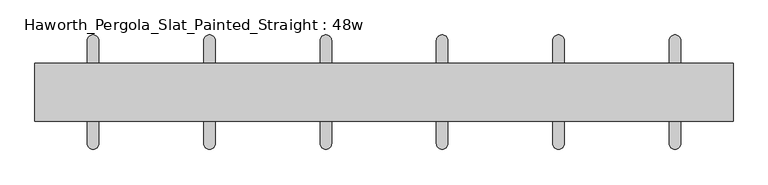
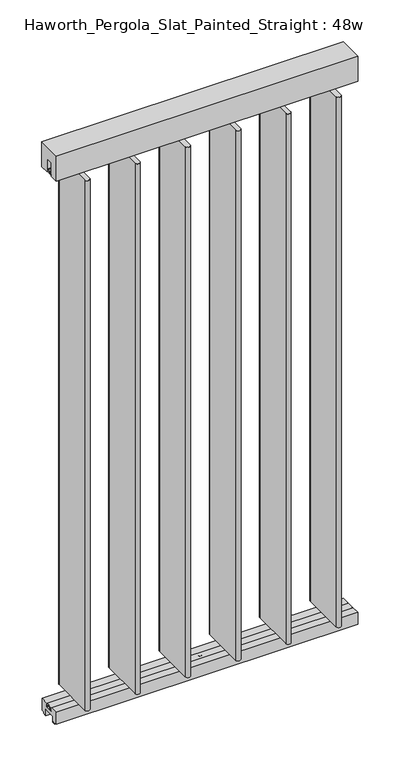
"""IFC4 building model written with IfcOpenShell, lengths in millimetres: furniture geometry, Haworth_Pergola_Slat_Painted_Straight : 48w."""

from ifc_helpers import new_model, si_unit, point, frame, frame_2d, origin, place, context, project, spatial, polyline, circle_curve, trimmed, segment, composite_curve, outline, extrude, source, transform, mapped, element, save


def haworth_pergola_slat_painted_straight_48w_1e894208(model_context):
    return source(origin(), model_context, "Body", "SweptSolid", [
        extrude(outline(composite_curve([segment(trimmed(circle_curve(frame_2d((546.0999978, 0.0)), 6.0), [point((541.8573571, 4.2426407))], [point((550.3426384, -4.2426407))], False, "CARTESIAN"), True, "CONTINUOUS"), segment(trimmed(circle_curve(frame_2d((546.0999978, 0.0)), 6.0), [point((550.3426384, -4.2426407))], [point((541.8573571, 4.2426407))], False, "CARTESIAN"), True, "CONTINUOUS")], self_intersect=False)), frame((0.0, 0.0, 2329.3585937), z_axis=(0.0, 0.0, 1.0), x_axis=(1.0, 0.0, 0.0)), (0.0, 0.0, 1.0), 4.9609375),
        extrude(outline(composite_curve([segment(trimmed(circle_curve(frame_2d((546.0999978, 0.0)), 6.0), [point((541.8573571, 4.2426407))], [point((550.3426384, -4.2426407))], False, "CARTESIAN"), True, "CONTINUOUS"), segment(trimmed(circle_curve(frame_2d((546.0999978, 0.0)), 6.0), [point((550.3426384, -4.2426407))], [point((541.8573571, 4.2426407))], False, "CARTESIAN"), True, "CONTINUOUS")], self_intersect=False)), frame((0.0, 0.0, 61.0195312), z_axis=(0.0, 0.0, 1.0), x_axis=(1.0, 0.0, 0.0)), (0.0, 0.0, 1.0), 4.9609375),
        extrude(outline(composite_curve([segment(polyline([(556.0999989, 89.9829434), (556.0999997, -90.0036731)]), True, "CONTINUOUS"), segment(trimmed(circle_curve(frame_2d((546.0999976, -90.0036731)), 10.0000021), [point((556.0999997, -90.0036731))], [point((536.0999955, -90.0036728))], False, "CARTESIAN"), True, "CONTINUOUS"), segment(polyline([(536.0999955, -90.0036728), (536.1000009, 89.9829437)]), True, "CONTINUOUS"), segment(trimmed(circle_curve(frame_2d((546.0999999, 89.9829434)), 9.999999), [point((536.1000009, 89.9829437))], [point((556.0999989, 89.9829434))], False, "CARTESIAN"), True, "CONTINUOUS")], self_intersect=False)), frame((0.0, 0.0, 65.9804687), z_axis=(0.0, 0.0, 1.0), x_axis=(1.0, 0.0, 0.0)), (0.0, 0.0, 1.0), 2263.378125),
        extrude(outline(composite_curve([segment(trimmed(circle_curve(frame_2d((342.8999978, 0.0020729)), 6.0), [point((338.6573571, 4.2447136))], [point((347.1426384, -4.2405678))], False, "CARTESIAN"), True, "CONTINUOUS"), segment(trimmed(circle_curve(frame_2d((342.8999978, 0.0020729)), 6.0), [point((347.1426384, -4.2405678))], [point((338.6573571, 4.2447136))], False, "CARTESIAN"), True, "CONTINUOUS")], self_intersect=False)), frame((0.0, 0.0, 2329.3585937), z_axis=(0.0, 0.0, 1.0), x_axis=(1.0, 0.0, 0.0)), (0.0, 0.0, 1.0), 4.9609375),
        extrude(outline(composite_curve([segment(trimmed(circle_curve(frame_2d((342.8999978, 0.0020729)), 6.0), [point((338.6573571, 4.2447136))], [point((347.1426384, -4.2405678))], False, "CARTESIAN"), True, "CONTINUOUS"), segment(trimmed(circle_curve(frame_2d((342.8999978, 0.0020729)), 6.0), [point((347.1426384, -4.2405678))], [point((338.6573571, 4.2447136))], False, "CARTESIAN"), True, "CONTINUOUS")], self_intersect=False)), frame((0.0, 0.0, 61.0195312), z_axis=(0.0, 0.0, 1.0), x_axis=(1.0, 0.0, 0.0)), (0.0, 0.0, 1.0), 4.9609375),
        extrude(outline(composite_curve([segment(polyline([(352.8999989, 89.9850163), (352.8999997, -90.0016002)]), True, "CONTINUOUS"), segment(trimmed(circle_curve(frame_2d((342.8999976, -90.0016002)), 10.0000021), [point((352.8999997, -90.0016002))], [point((332.8999955, -90.0015999))], False, "CARTESIAN"), True, "CONTINUOUS"), segment(polyline([(332.8999955, -90.0015999), (332.9000009, 89.9850166)]), True, "CONTINUOUS"), segment(trimmed(circle_curve(frame_2d((342.8999999, 89.9850163)), 9.999999), [point((332.9000009, 89.9850166))], [point((352.8999989, 89.9850163))], False, "CARTESIAN"), True, "CONTINUOUS")], self_intersect=False)), frame((0.0, 0.0, 65.9804687), z_axis=(0.0, 0.0, 1.0), x_axis=(1.0, 0.0, 0.0)), (0.0, 0.0, 1.0), 2263.378125),
        extrude(outline(composite_curve([segment(trimmed(circle_curve(frame_2d((139.6999978, 0.0041458)), 6.0), [point((135.4573571, 4.2467865))], [point((143.9426384, -4.2384949))], False, "CARTESIAN"), True, "CONTINUOUS"), segment(trimmed(circle_curve(frame_2d((139.6999978, 0.0041458)), 6.0), [point((143.9426384, -4.2384949))], [point((135.4573571, 4.2467865))], False, "CARTESIAN"), True, "CONTINUOUS")], self_intersect=False)), frame((0.0, 0.0, 2329.3585937), z_axis=(0.0, 0.0, 1.0), x_axis=(1.0, 0.0, 0.0)), (0.0, 0.0, 1.0), 4.9609375),
        extrude(outline(composite_curve([segment(trimmed(circle_curve(frame_2d((139.6999978, 0.0041458)), 6.0), [point((135.4573571, 4.2467865))], [point((143.9426384, -4.2384949))], False, "CARTESIAN"), True, "CONTINUOUS"), segment(trimmed(circle_curve(frame_2d((139.6999978, 0.0041458)), 6.0), [point((143.9426384, -4.2384949))], [point((135.4573571, 4.2467865))], False, "CARTESIAN"), True, "CONTINUOUS")], self_intersect=False)), frame((0.0, 0.0, 61.0195312), z_axis=(0.0, 0.0, 1.0), x_axis=(1.0, 0.0, 0.0)), (0.0, 0.0, 1.0), 4.9609375),
        extrude(outline(composite_curve([segment(polyline([(149.6999989, 89.9870893), (149.6999997, -89.9995273)]), True, "CONTINUOUS"), segment(trimmed(circle_curve(frame_2d((139.6999976, -89.9995273)), 10.0000021), [point((149.6999997, -89.9995273))], [point((129.6999955, -89.999527))], False, "CARTESIAN"), True, "CONTINUOUS"), segment(polyline([(129.6999955, -89.999527), (129.7000009, 89.9870895)]), True, "CONTINUOUS"), segment(trimmed(circle_curve(frame_2d((139.6999999, 89.9870892)), 9.999999), [point((129.7000009, 89.9870895))], [point((149.6999989, 89.9870893))], False, "CARTESIAN"), True, "CONTINUOUS")], self_intersect=False)), frame((0.0, 0.0, 65.9804687), z_axis=(0.0, 0.0, 1.0), x_axis=(1.0, 0.0, 0.0)), (0.0, 0.0, 1.0), 2263.378125),
        extrude(outline(composite_curve([segment(trimmed(circle_curve(frame_2d((-63.5000022, 0.0062187)), 6.0), [point((-67.7426429, 4.2488594))], [point((-59.2573616, -4.236422))], False, "CARTESIAN"), True, "CONTINUOUS"), segment(trimmed(circle_curve(frame_2d((-63.5000022, 0.0062187)), 6.0), [point((-59.2573616, -4.236422))], [point((-67.7426429, 4.2488594))], False, "CARTESIAN"), True, "CONTINUOUS")], self_intersect=False)), frame((0.0, 0.0, 2329.3585937), z_axis=(0.0, 0.0, 1.0), x_axis=(1.0, 0.0, 0.0)), (0.0, 0.0, 1.0), 4.9609375),
        extrude(outline(composite_curve([segment(trimmed(circle_curve(frame_2d((-63.5000022, 0.0062187)), 6.0), [point((-67.7426429, 4.2488594))], [point((-59.2573616, -4.236422))], False, "CARTESIAN"), True, "CONTINUOUS"), segment(trimmed(circle_curve(frame_2d((-63.5000022, 0.0062187)), 6.0), [point((-59.2573616, -4.236422))], [point((-67.7426429, 4.2488594))], False, "CARTESIAN"), True, "CONTINUOUS")], self_intersect=False)), frame((0.0, 0.0, 61.0195312), z_axis=(0.0, 0.0, 1.0), x_axis=(1.0, 0.0, 0.0)), (0.0, 0.0, 1.0), 4.9609375),
        extrude(outline(composite_curve([segment(polyline([(-53.5000011, 89.9891622), (-53.5000003, -89.9974543)]), True, "CONTINUOUS"), segment(trimmed(circle_curve(frame_2d((-63.5000024, -89.9974544)), 10.0000021), [point((-53.5000003, -89.9974543))], [point((-73.5000045, -89.9974541))], False, "CARTESIAN"), True, "CONTINUOUS"), segment(polyline([(-73.5000045, -89.9974541), (-73.4999991, 89.9891624)]), True, "CONTINUOUS"), segment(trimmed(circle_curve(frame_2d((-63.5000001, 89.9891621)), 9.999999), [point((-73.4999991, 89.9891624))], [point((-53.5000011, 89.9891622))], False, "CARTESIAN"), True, "CONTINUOUS")], self_intersect=False)), frame((0.0, 0.0, 65.9804687), z_axis=(0.0, 0.0, 1.0), x_axis=(1.0, 0.0, 0.0)), (0.0, 0.0, 1.0), 2263.378125),
        extrude(outline(composite_curve([segment(trimmed(circle_curve(frame_2d((-266.7000022, 0.0082916)), 6.0), [point((-270.9426429, 4.2509323))], [point((-262.4573616, -4.234349))], False, "CARTESIAN"), True, "CONTINUOUS"), segment(trimmed(circle_curve(frame_2d((-266.7000022, 0.0082916)), 6.0), [point((-262.4573616, -4.234349))], [point((-270.9426429, 4.2509323))], False, "CARTESIAN"), True, "CONTINUOUS")], self_intersect=False)), frame((0.0, 0.0, 2329.3585937), z_axis=(0.0, 0.0, 1.0), x_axis=(1.0, 0.0, 0.0)), (0.0, 0.0, 1.0), 4.9609375),
        extrude(outline(composite_curve([segment(trimmed(circle_curve(frame_2d((-266.7000022, 0.0082916)), 6.0), [point((-270.9426429, 4.2509323))], [point((-262.4573616, -4.234349))], False, "CARTESIAN"), True, "CONTINUOUS"), segment(trimmed(circle_curve(frame_2d((-266.7000022, 0.0082916)), 6.0), [point((-262.4573616, -4.234349))], [point((-270.9426429, 4.2509323))], False, "CARTESIAN"), True, "CONTINUOUS")], self_intersect=False)), frame((0.0, 0.0, 61.0195312), z_axis=(0.0, 0.0, 1.0), x_axis=(1.0, 0.0, 0.0)), (0.0, 0.0, 1.0), 4.9609375),
        extrude(outline(composite_curve([segment(polyline([(-256.7000011, 89.9912351), (-256.7000003, -89.9953814)]), True, "CONTINUOUS"), segment(trimmed(circle_curve(frame_2d((-266.7000024, -89.9953815)), 10.0000021), [point((-256.7000003, -89.9953814))], [point((-276.7000045, -89.9953812))], False, "CARTESIAN"), True, "CONTINUOUS"), segment(polyline([(-276.7000045, -89.9953812), (-276.6999991, 89.9912353)]), True, "CONTINUOUS"), segment(trimmed(circle_curve(frame_2d((-266.7000001, 89.991235)), 9.999999), [point((-276.6999991, 89.9912353))], [point((-256.7000011, 89.9912351))], False, "CARTESIAN"), True, "CONTINUOUS")], self_intersect=False)), frame((0.0, 0.0, 65.9804687), z_axis=(0.0, 0.0, 1.0), x_axis=(1.0, 0.0, 0.0)), (0.0, 0.0, 1.0), 2263.378125),
        extrude(outline(composite_curve([segment(trimmed(circle_curve(frame_2d((-469.9000022, 0.0103646)), 6.0), [point((-474.1426429, 4.2530052))], [point((-465.6573616, -4.2322761))], False, "CARTESIAN"), True, "CONTINUOUS"), segment(trimmed(circle_curve(frame_2d((-469.9000022, 0.0103646)), 6.0), [point((-465.6573616, -4.2322761))], [point((-474.1426429, 4.2530052))], False, "CARTESIAN"), True, "CONTINUOUS")], self_intersect=False)), frame((0.0, 0.0, 2329.3585937), z_axis=(0.0, 0.0, 1.0), x_axis=(1.0, 0.0, 0.0)), (0.0, 0.0, 1.0), 4.9609375),
        extrude(outline(composite_curve([segment(trimmed(circle_curve(frame_2d((-469.9000022, 0.0103646)), 6.0), [point((-474.1426429, 4.2530052))], [point((-465.6573616, -4.2322761))], False, "CARTESIAN"), True, "CONTINUOUS"), segment(trimmed(circle_curve(frame_2d((-469.9000022, 0.0103646)), 6.0), [point((-465.6573616, -4.2322761))], [point((-474.1426429, 4.2530052))], False, "CARTESIAN"), True, "CONTINUOUS")], self_intersect=False)), frame((0.0, 0.0, 61.0195312), z_axis=(0.0, 0.0, 1.0), x_axis=(1.0, 0.0, 0.0)), (0.0, 0.0, 1.0), 4.9609375),
        extrude(outline(composite_curve([segment(polyline([(-459.9000011, 89.993308), (-459.9000003, -89.9933085)]), True, "CONTINUOUS"), segment(trimmed(circle_curve(frame_2d((-469.9000024, -89.9933086)), 10.0000021), [point((-459.9000003, -89.9933085))], [point((-479.9000045, -89.9933083))], False, "CARTESIAN"), True, "CONTINUOUS"), segment(polyline([(-479.9000045, -89.9933083), (-479.8999991, 89.9933083)]), True, "CONTINUOUS"), segment(trimmed(circle_curve(frame_2d((-469.9000001, 89.993308)), 9.999999), [point((-479.8999991, 89.9933083))], [point((-459.9000011, 89.993308))], False, "CARTESIAN"), True, "CONTINUOUS")], self_intersect=False)), frame((0.0, 0.0, 65.9804687), z_axis=(0.0, 0.0, 1.0), x_axis=(1.0, 0.0, 0.0)), (0.0, 0.0, 1.0), 2263.378125),
        extrude(outline(polyline([(-50.8, 2438.4), (50.8, 2438.4), (50.8, 2331.8390625), (15.2182948, 2331.8390625), (15.2182948, 2388.7001663), (-15.2182948, 2388.7001663), (-15.2182948, 2331.8390625), (-50.8, 2331.8390625), (-50.8, 2438.4)])), frame((-571.5, 0.0, 0.0), z_axis=(1.0, 0.0, 0.0), x_axis=(0.0, 1.0, 0.0)), (0.0, 0.0, 1.0), 1219.2),
        extrude(outline(polyline([(-7.8249998, 61.7499993), (-15.2249995, 61.7499993), (-15.2249995, 63.5), (15.2249996, 63.5), (15.2249996, 61.7499999), (13.3999997, 61.7499999), (13.3999997, 50.2499995), (11.8250005, 50.2499995), (11.8250005, 61.7499993), (-4.8250001, 61.7499993), (-4.8250001, 50.0999996), (-7.8249998, 50.0999996), (-7.8249998, 61.7499993)])), frame((-571.5, 0.0, 0.0), z_axis=(1.0, 0.0, 0.0), x_axis=(0.0, 1.0, 0.0)), (0.0, 0.0, 1.0), 1219.2),
        extrude(outline(polyline([(-16.2000002, 63.5), (-16.5085717, 61.7499999), (-13.3999996, 61.7499999), (-13.3999996, 58.8973461), (-15.4000002, 59.2499999), (-15.4000002, 48.3500004), (15.4000003, 48.3500004), (15.4000003, 59.2499999), (13.3999997, 58.8973461), (13.3999997, 61.7499999), (16.5085718, 61.7499999), (16.2000003, 63.5), (50.0000004, 63.5), (50.0000004, 12.6999985), (40.9499987, 12.6999985), (38.9499981, 10.6999979), (28.9499999, 10.6999979), (28.9499999, 7.6999994), (38.9499981, 7.6999994), (38.9499981, 5.6999988), (23.7499993, 5.6999988), (23.7499993, 31.4500009), (-23.7499992, 31.4500009), (-23.7499992, 5.6999988), (-38.949998, 5.6999988), (-38.949998, 7.6999994), (-28.9499998, 7.6999994), (-28.9499998, 10.6999979), (-38.949998, 10.6999979), (-40.9499986, 12.6999985), (-50.0000003, 12.6999985), (-50.0000003, 63.5), (-16.2000002, 63.5)])), frame((-571.5, 0.0, 0.0), z_axis=(1.0, 0.0, 0.0), x_axis=(0.0, 1.0, 0.0)), (0.0, 0.0, 1.0), 1219.2),
        extrude(outline(polyline([(7.8249999, 2338.5500385), (15.2249996, 2338.5500385), (15.2249996, 2336.8), (-15.2249995, 2336.8), (-15.2249995, 2338.5500385), (-13.3999996, 2338.5500385), (-13.3999996, 2350.0500633), (-11.8249992, 2350.0500633), (-11.8250004, 2338.5500385), (4.8250002, 2338.5500385), (4.8250002, 2350.2000542), (7.8250005, 2350.2000542), (7.8249999, 2338.5500385)])), frame((-571.5, 0.0, 0.0), z_axis=(1.0, 0.0, 0.0), x_axis=(0.0, 1.0, 0.0)), (0.0, 0.0, 1.0), 1219.2),
        extrude(outline(composite_curve([segment(trimmed(circle_curve(frame_2d((38.1000001, 1e-07)), 6.0), [point((32.1000001, 1e-07))], [point((44.1000001, 1e-07))], False, "CARTESIAN"), True, "CONTINUOUS"), segment(trimmed(circle_curve(frame_2d((38.1000001, 1e-07)), 6.0), [point((44.1000001, 1e-07))], [point((32.1000001, 1e-07))], False, "CARTESIAN"), True, "CONTINUOUS")], self_intersect=False)), frame((0.0, 0.0, 2319.1390625), z_axis=(0.0, 0.0, 1.0), x_axis=(1.0, 0.0, 0.0)), (0.0, 0.0, 1.0), 17.6609375),
        extrude(outline(composite_curve([segment(trimmed(circle_curve(frame_2d((38.1000001, 1e-07)), 6.0), [point((32.1000001, 1e-07))], [point((44.1000001, 1e-07))], False, "CARTESIAN"), True, "CONTINUOUS"), segment(trimmed(circle_curve(frame_2d((38.1000001, 1e-07)), 6.0), [point((44.1000001, 1e-07))], [point((32.1000001, 1e-07))], False, "CARTESIAN"), True, "CONTINUOUS")], self_intersect=False)), frame((0.0, 0.0, 55.7609375), z_axis=(0.0, 0.0, 1.0), x_axis=(1.0, 0.0, 0.0)), (0.0, 0.0, 1.0), 7.7390625),
    ])


if __name__ == "__main__":
    model = new_model("IFC4")
    model_context = context("Model", 3, world=origin())
    ifc_project = project(units=[si_unit("LENGTHUNIT", "METRE", prefix="MILLI")], contexts=[model_context])
    site = spatial("IfcSite", under=ifc_project)
    building = spatial("IfcBuilding", under=site)
    placement = place(None, origin())
    haworth_pergola_slat_painted_straight_48w_shape = haworth_pergola_slat_painted_straight_48w_1e894208(model_context)
    element("IfcFurniture", 1, ObjectType="Haworth_Pergola_Slat_Painted_Straight : 48w", at=placement, inside=building, context=model_context, shape_type="MappedRepresentation", body=[
        mapped(haworth_pergola_slat_painted_straight_48w_shape, transform((0.0, 0.0, 0.0), x_axis=(1.0, 0.0, 0.0), y_axis=(0.0, 1.0, 0.0), z_axis=(0.0, 0.0, 1.0))),
    ])
    save(model, "model.ifc")
